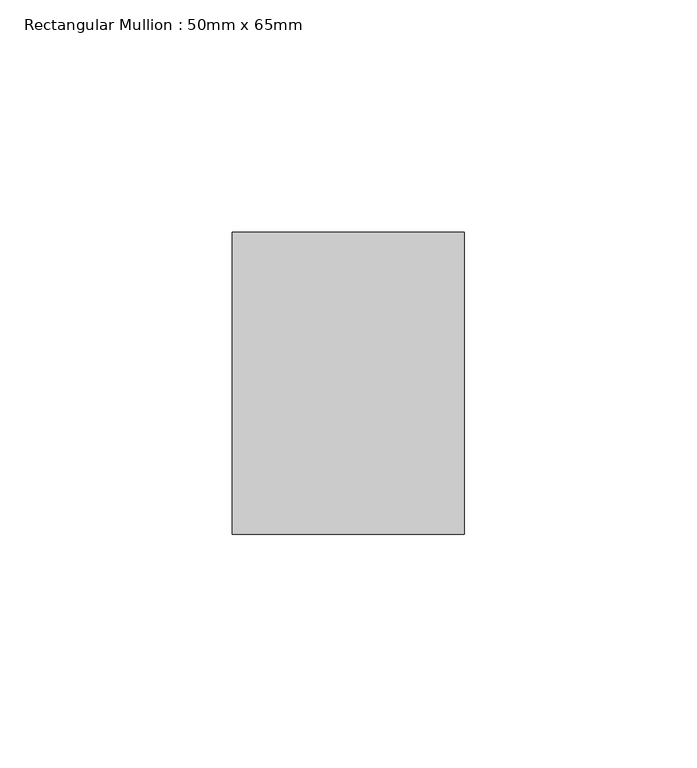
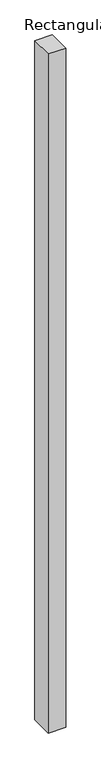
"""IFC4 building model written with IfcOpenShell, lengths in millimetres: member geometry, Rectangular Mullion : 50mm x 65mm."""

from ifc_helpers import new_model, si_unit, frame, origin, place, context, project, spatial, polyline, outline, extrude, source, transform, mapped, element, save


def rectangular_mullion_50mm_x_65mm_5e3ed940(model_context):
    return source(origin(), model_context, "Body", "SweptSolid", [
        extrude(outline(polyline([(25.0, 32.5), (25.0, -32.5), (-25.0, -32.5), (-25.0, 32.5), (25.0, 32.5)])), frame((0.0, 0.0, -2042.039078), z_axis=(0.0, 0.0, 1.0), x_axis=(1.0, 0.0, 0.0)), (0.0, 0.0, 1.0), 2042.039078),
    ])


if __name__ == "__main__":
    model = new_model("IFC4")
    model_context = context("Model", 3, world=origin())
    ifc_project = project(units=[si_unit("LENGTHUNIT", "METRE", prefix="MILLI")], contexts=[model_context])
    site = spatial("IfcSite", under=ifc_project)
    building = spatial("IfcBuilding", under=site)
    placement = place(None, origin())
    rectangular_mullion_50mm_x_65mm_shape = rectangular_mullion_50mm_x_65mm_5e3ed940(model_context)
    element("IfcMember", 1, ObjectType="Rectangular Mullion : 50mm x 65mm", at=placement, inside=building, context=model_context, shape_type="MappedRepresentation", body=[
        mapped(rectangular_mullion_50mm_x_65mm_shape, transform((0.0, 0.0, 0.0), x_axis=(1.0, 0.0, 0.0), y_axis=(0.0, 1.0, 0.0), z_axis=(0.0, 0.0, 1.0))),
    ])
    save(model, "model.ifc")
